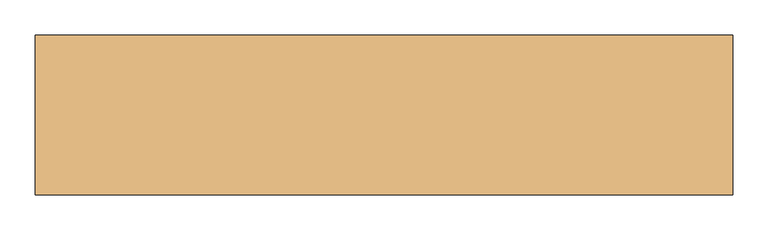
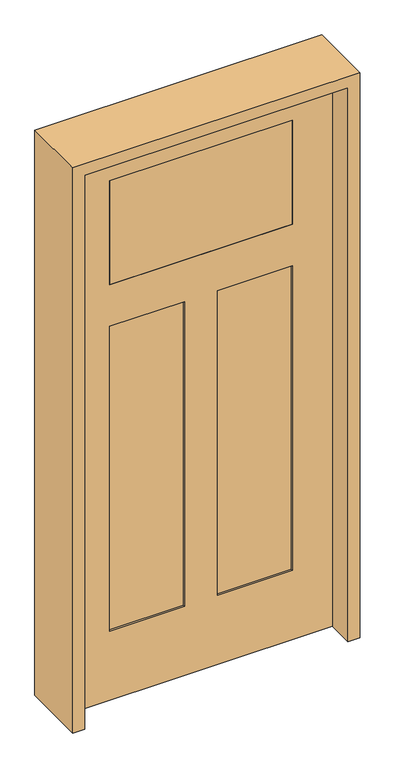
"""IFC4 building model written with IfcOpenShell, lengths in millimetres: door geometry."""

from ifc_helpers import new_model, si_unit, frame, origin, place, context, project, spatial, polyline, outline, extrude, faceted_brep, source, transform, mapped, element, save


def door_36c94064(model_context):
    return source(origin(), model_context, "Body", "SolidModel", [
        faceted_brep([(457.2, 20.6375, 0.0), (457.2, -20.6375, 0.0), (-457.2, -20.6375, 0.0), (-457.2, 20.6375, 0.0), (457.2, 20.6375, 2032.0), (457.2, -20.6375, 2032.0), (-457.2, -20.6375, 2032.0), (-317.5, -20.6375, 1905.0), (317.5, -20.6375, 1905.0), (317.5, -20.6375, 1524.0), (-317.5, -20.6375, 1524.0), (-317.5, -20.6375, 1371.6), (-57.15, -20.6375, 1371.6), (-57.15, -20.6375, 254.0), (-317.5, -20.6375, 254.0), (57.15, -20.6375, 1371.6), (317.5, -20.6375, 1371.6), (317.5, -20.6375, 254.0), (57.15, -20.6375, 254.0), (-457.2, 20.6375, 2032.0), (-57.15, 20.6375, 1371.6), (-317.5, 20.6375, 1371.6), (-317.5, 20.6375, 254.0), (-57.15, 20.6375, 254.0), (317.5, 20.6375, 1371.6), (57.15, 20.6375, 1371.6), (57.15, 20.6375, 254.0), (317.5, 20.6375, 254.0), (317.5, 20.6375, 1905.0), (-317.5, 20.6375, 1905.0), (-317.5, 20.6375, 1524.0), (317.5, 20.6375, 1524.0), (-317.5, 14.2875, 1371.6), (-317.5, 14.2875, 254.0), (-57.15, 14.2875, 254.0), (-57.15, 14.2875, 1371.6), (57.15, 14.2875, 1371.6), (57.15, 14.2875, 254.0), (317.5, 14.2875, 254.0), (317.5, 14.2875, 1371.6), (-57.15, -14.2875, 1371.6), (-57.15, -14.2875, 254.0), (-317.5, -14.2875, 254.0), (-317.5, -14.2875, 1371.6), (317.5, -14.2875, 1371.6), (317.5, -14.2875, 254.0), (57.15, -14.2875, 254.0), (57.15, -14.2875, 1371.6)], [[[0, 1, 2, 3]], [[4, 5, 1, 0]], [[5, 6, 2, 1], [7, 8, 9, 10], [11, 12, 13, 14], [15, 16, 17, 18]], [[6, 19, 3, 2]], [[19, 4, 0, 3], [20, 21, 22, 23], [24, 25, 26, 27], [28, 29, 30, 31]], [[4, 19, 6, 5]], [[32, 33, 22, 21]], [[33, 34, 23, 22]], [[34, 35, 20, 23]], [[36, 37, 26, 25]], [[37, 38, 27, 26]], [[38, 39, 24, 27]], [[40, 41, 13, 12]], [[41, 42, 14, 13]], [[42, 43, 11, 14]], [[44, 45, 17, 16]], [[45, 46, 18, 17]], [[46, 47, 15, 18]], [[40, 43, 42, 41]], [[44, 47, 46, 45]], [[35, 34, 33, 32]], [[39, 38, 37, 36]], [[7, 29, 28, 8]], [[29, 7, 10, 30]], [[30, 10, 9, 31]], [[8, 28, 31, 9]], [[43, 40, 12, 11]], [[47, 44, 16, 15]], [[35, 32, 21, 20]], [[39, 36, 25, 24]]]),
        extrude(outline(polyline([(317.5, -20.6375), (-317.5, -20.6375), (-317.5, 20.6375), (317.5, 20.6375), (317.5, -20.6375)])), frame((0.0, 0.0, 1524.0), z_axis=(0.0, 0.0, 1.0), x_axis=(1.0, 0.0, 0.0)), (0.0, 0.0, 1.0), 381.0),
        extrude(outline(polyline([(2073.275, -498.475), (0.0, -498.475), (0.0, -457.2), (2032.0, -457.2), (2032.0, 457.2), (0.0, 457.2), (0.0, 498.475), (2073.275, 498.475), (2073.275, -498.475)])), frame((0.0, -114.3, 0.0), z_axis=(0.0, 1.0, 0.0), x_axis=(0.0, 0.0, 1.0)), (0.0, 0.0, 1.0), 228.6),
    ])


if __name__ == "__main__":
    model = new_model("IFC4")
    model_context = context("Model", 3, world=origin())
    ifc_project = project(units=[si_unit("LENGTHUNIT", "METRE", prefix="MILLI")], contexts=[model_context])
    site = spatial("IfcSite", under=ifc_project)
    building = spatial("IfcBuilding", under=site)
    placement = place(None, origin())
    door_shape = door_36c94064(model_context)
    element("IfcDoor", 1, at=placement, inside=building, context=model_context, shape_type="MappedRepresentation", body=[
        mapped(door_shape, transform((0.0, 0.0, 0.0), x_axis=(1.0, 0.0, 0.0), y_axis=(0.0, 1.0, 0.0), z_axis=(0.0, 0.0, 1.0))),
    ])
    save(model, "model.ifc")
